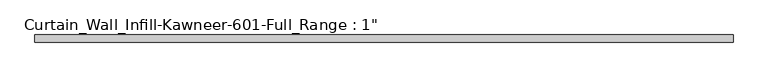
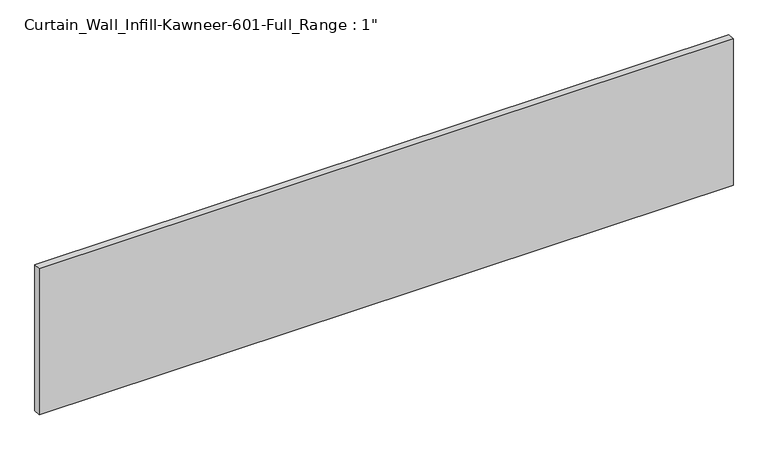
"""IFC4 building model written with IfcOpenShell, lengths in millimetres: plate geometry."""

from ifc_helpers import new_model, si_unit, origin, origin_with_axes, place, context, project, spatial, polyline, outline, extrude, source, transform, mapped, element, save


def plate_77bca0ee(model_context):
    return source(origin(), model_context, "Body", "SweptSolid", [
        extrude(outline(polyline([(-1241.425, 12.7), (1241.425, 12.7), (1241.425, -12.7), (-1241.425, -12.7), (-1241.425, 12.7)])), origin_with_axes(), (0.0, 0.0, 1.0), 552.45),
    ])


if __name__ == "__main__":
    model = new_model("IFC4")
    model_context = context("Model", 3, world=origin())
    ifc_project = project(units=[si_unit("LENGTHUNIT", "METRE", prefix="MILLI")], contexts=[model_context])
    site = spatial("IfcSite", under=ifc_project)
    building = spatial("IfcBuilding", under=site)
    placement = place(None, origin())
    plate_shape = plate_77bca0ee(model_context)
    element("IfcPlate", 1, ObjectType="Curtain_Wall_Infill-Kawneer-601-Full_Range : 1\"", at=placement, inside=building, context=model_context, shape_type="MappedRepresentation", body=[
        mapped(plate_shape, transform((0.0, 0.0, 0.0), x_axis=(1.0, 0.0, 0.0), y_axis=(0.0, 1.0, 0.0), z_axis=(0.0, 0.0, 1.0))),
    ])
    save(model, "model.ifc")
